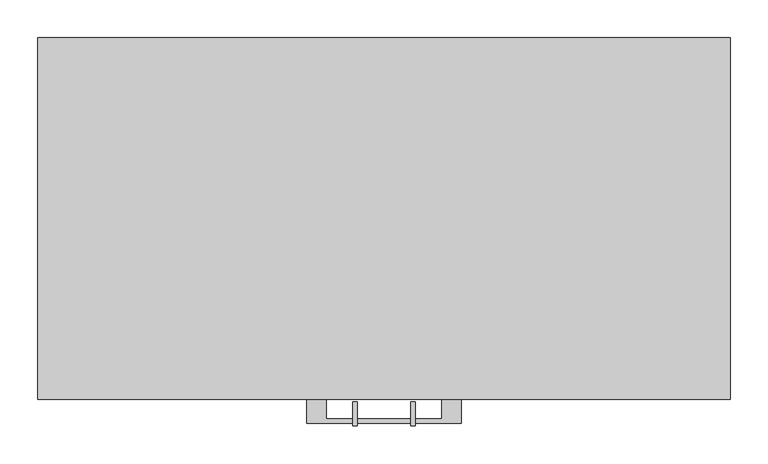
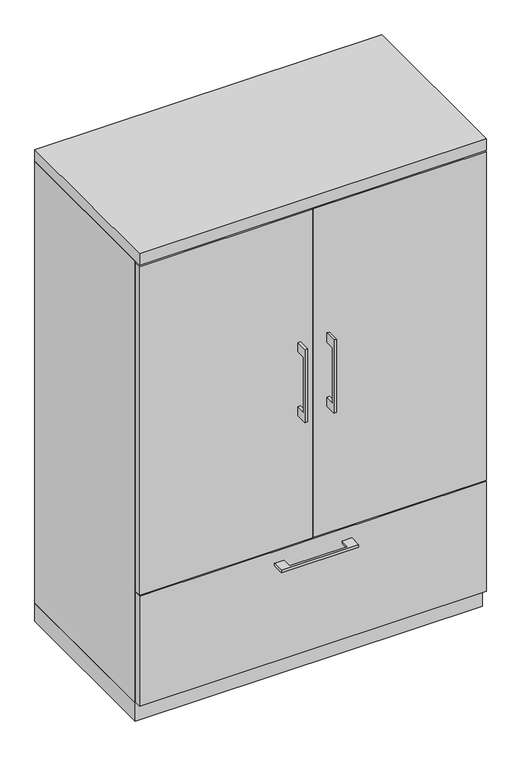
"""IFC4 building model written with IfcOpenShell, lengths in millimetres: furniture geometry."""

import ifcopenshell
import ifcopenshell.guid

model = None  # the IFC model being written
_history = None  # IfcOwnerHistory: only IFC2X3 demands one
_inside = {}  # id of a spatial element -> (the spatial element, [elements in it])
_under = {}  # id of a project, library or spatial element -> (it, [spatial elements below it])
_declared = {}  # id of a project -> (the project, [libraries it declares])
_typed = {}  # id of a type object -> (the type object, [elements of that type])
_made_of = {}  # id of a material, layer set ... -> (it, [elements and type objects made of it])


def new_model(schema):
    """Start an empty IFC model of exactly this schema.

    Asked for "IFC4X3", IfcOpenShell would pick the latest addendum, in which some entities
    have other attributes; the version numbers below select the first issue.
    IFC2X3 requires an IfcOwnerHistory on every rooted entity: one is made here for all.
    """
    global model, _history
    if schema == "IFC4X3":
        model = ifcopenshell.file(schema_version=(4, 3, 0, 0))
    else:
        model = ifcopenshell.file(schema=schema)
    _inside.clear()
    _under.clear()
    _declared.clear()
    _typed.clear()
    _made_of.clear()
    _history = None
    if model.schema == "IFC2X3":
        org = make("IfcOrganization", Name="unknown")
        user = make(
            "IfcPersonAndOrganization",
            ThePerson=make("IfcPerson", FamilyName="unknown"),
            TheOrganization=org,
        )
        app = make(
            "IfcApplication",
            ApplicationDeveloper=org,
            Version="unknown",
            ApplicationFullName="unknown",
            ApplicationIdentifier="unknown",
        )
        _history = make(
            "IfcOwnerHistory",
            OwningUser=user,
            OwningApplication=app,
            ChangeAction="ADDED",
            CreationDate=0,
        )
    return model


def make(cls, **values):
    """One entity of the class cls with the attributes given. An attribute that is None is left unset."""
    return model.create_entity(
        cls, **{name: value for name, value in values.items() if value is not None}
    )


def rooted(cls, **values):
    """An entity with a GlobalId (a new one), such as an element, a storey or a relation."""
    return make(cls, GlobalId=ifcopenshell.guid.new(), OwnerHistory=_history, **values)


def si_unit(unit_type, name, prefix=None):
    """IfcSIUnit, for example si_unit("LENGTHUNIT", "METRE", prefix="MILLI")."""
    return make("IfcSIUnit", UnitType=unit_type, Prefix=prefix, Name=name)


def assignment(units):
    """IfcUnitAssignment: the units of a project."""
    return None if units is None else make("IfcUnitAssignment", Units=units)


def point(xyz):
    """IfcCartesianPoint."""
    return None if xyz is None else make("IfcCartesianPoint", Coordinates=xyz)


def direction(xyz):
    """IfcDirection."""
    return None if xyz is None else make("IfcDirection", DirectionRatios=xyz)


def frame(location, z_axis=None, x_axis=None):
    """IfcAxis2Placement3D, a coordinate frame: its origin and axes. An axis left out is left unset."""
    return make(
        "IfcAxis2Placement3D",
        Location=point(location),
        Axis=direction(z_axis),
        RefDirection=direction(x_axis),
    )


def origin():
    """The frame at (0, 0, 0) with its axes left unset."""
    return frame((0.0, 0.0, 0.0))


def origin_with_axes():
    """The frame at (0, 0, 0) with the z axis (0, 0, 1) and the x axis (1, 0, 0) written out."""
    return frame((0.0, 0.0, 0.0), z_axis=(0.0, 0.0, 1.0), x_axis=(1.0, 0.0, 0.0))


def place(relative_to, where):
    """IfcLocalPlacement: puts the frame where relative to a parent placement (None: the world)."""
    return make(
        "IfcLocalPlacement", PlacementRelTo=relative_to, RelativePlacement=where
    )


def context(
    kind, dimensions, precision=None, world=None, true_north=None, identifier=None
):
    """IfcGeometricRepresentationContext, for example the 3D "Model" context."""
    return make(
        "IfcGeometricRepresentationContext",
        ContextIdentifier=identifier,
        ContextType=kind,
        CoordinateSpaceDimension=dimensions,
        Precision=precision,
        WorldCoordinateSystem=world,
        TrueNorth=true_north,
    )


def project(units=None, contexts=None):
    """IfcProject with its units and contexts."""
    return rooted(
        "IfcProject",
        Name="project",
        RepresentationContexts=contexts,
        UnitsInContext=assignment(units),
    )


def spatial(cls, under=None, at=None, **own):
    """A site, building, storey or space (cls), placed at a placement, below another one or the project."""
    s = rooted(cls, ObjectPlacement=at, **own)
    if under is not None:
        _under.setdefault(under.id(), (under, []))[1].append(s)
    return s


def polyline(points):
    """IfcPolyline through the points."""
    return make("IfcPolyline", Points=[point(p) for p in points])


def outline(outer, holes=None, kind="AREA"):
    """IfcArbitraryClosedProfileDef: a profile drawn as a closed curve; with holes, ...WithVoids."""
    if holes is None:
        return make("IfcArbitraryClosedProfileDef", ProfileType=kind, OuterCurve=outer)
    return make(
        "IfcArbitraryProfileDefWithVoids",
        ProfileType=kind,
        OuterCurve=outer,
        InnerCurves=holes,
    )


def extrude(swept, where, along, depth):
    """IfcExtrudedAreaSolid: the profile swept, set in the frame where, extruded along a direction by depth."""
    return make(
        "IfcExtrudedAreaSolid",
        SweptArea=swept,
        Position=where,
        ExtrudedDirection=direction(along),
        Depth=depth,
    )


def shape(context_of_items, identifier, shape_type, items):
    """IfcShapeRepresentation: the items that make up one representation, for example the "Body"."""
    return make(
        "IfcShapeRepresentation",
        ContextOfItems=context_of_items,
        RepresentationIdentifier=identifier,
        RepresentationType=shape_type,
        Items=items,
    )


def source(mapping_origin, context_of_items, identifier, shape_type, items):
    """IfcRepresentationMap: a shape defined once, which mapped items show again and again."""
    return make(
        "IfcRepresentationMap",
        MappingOrigin=mapping_origin,
        MappedRepresentation=shape(context_of_items, identifier, shape_type, items),
    )


def transform(
    local_origin,
    x_axis=None,
    y_axis=None,
    z_axis=None,
    scale=None,
    scale2=None,
    scale3=None,
    uniform=True,
):
    """IfcCartesianTransformationOperator3D, or its non-uniform kind. x_axis, y_axis, z_axis: its Axis1, 2, 3."""
    if uniform:
        return make(
            "IfcCartesianTransformationOperator3D",
            Axis1=direction(x_axis),
            Axis2=direction(y_axis),
            LocalOrigin=point(local_origin),
            Scale=scale,
            Axis3=direction(z_axis),
        )
    return make(
        "IfcCartesianTransformationOperator3DnonUniform",
        Axis1=direction(x_axis),
        Axis2=direction(y_axis),
        LocalOrigin=point(local_origin),
        Scale=scale,
        Axis3=direction(z_axis),
        Scale2=scale2,
        Scale3=scale3,
    )


def mapped(mapping_source, mapping_target):
    """IfcMappedItem: shows the shape of a source again, moved by a transform."""
    return make(
        "IfcMappedItem", MappingSource=mapping_source, MappingTarget=mapping_target
    )


def made_of(thing, what):
    """Note that an element or type object is made of a material, layer set ...; save() writes the relation."""
    if what is not None:
        _made_of.setdefault(what.id(), (what, []))[1].append(thing)
    return thing


def element(
    cls,
    number,
    at=None,
    inside=None,
    cuts=None,
    type_object=None,
    material=None,
    context=None,
    identifier="Body",
    shape_type=None,
    held_by="IfcProductDefinitionShape",
    body=None,
    shapes=None,
    **own,
):
    """One element of the class cls, such as IfcWall. Its Tag is "e" and its number.

    at: its placement. inside: the storey or other place that contains it. cuts: it is an
    opening in that element (IfcRelVoidsElement). A single representation is given by context,
    identifier, shape_type and body (its items); several are given by shapes. held_by: the class
    of the entity that holds the representations. save() writes the other relations.
    """
    e = rooted(cls, Tag="e%d" % number, ObjectPlacement=at, **own)
    if body is not None:
        shapes = [shape(context, identifier, shape_type, body)]
    if shapes is not None:
        e.Representation = make(held_by, Representations=shapes)
    if inside is not None:
        _inside.setdefault(inside.id(), (inside, []))[1].append(e)
    if cuts is not None:
        rooted(
            "IfcRelVoidsElement", RelatingBuildingElement=cuts, RelatedOpeningElement=e
        )
    if type_object is not None:
        _typed.setdefault(type_object.id(), (type_object, []))[1].append(e)
    return made_of(e, material)


def aggregate(whole, parts):
    """IfcRelAggregates: a whole, such as a stair, and the parts it consists of."""
    return rooted("IfcRelAggregates", RelatingObject=whole, RelatedObjects=parts)


def save(model, path):
    """Write the relations noted so far, then the file.

    IfcRelAggregates (storeys below a building ...), IfcRelContainedInSpatialStructure (elements
    in a storey), IfcRelDefinesByType, IfcRelAssociatesMaterial and IfcRelDeclares: one each for
    every whole, place, type object, material and project.
    """
    for whole, parts in _under.values():
        aggregate(whole, parts)
    for where, things in _inside.values():
        rooted(
            "IfcRelContainedInSpatialStructure",
            RelatedElements=things,
            RelatingStructure=where,
        )
    for kind, things in _typed.values():
        rooted("IfcRelDefinesByType", RelatedObjects=things, RelatingType=kind)
    for what, things in _made_of.values():
        rooted("IfcRelAssociatesMaterial", RelatedObjects=things, RelatingMaterial=what)
    for by, libraries in _declared.values():
        rooted("IfcRelDeclares", RelatingContext=by, RelatedDefinitions=libraries)
    model.write(path)


def furniture_64872c01(model_context):
    return source(origin(), model_context, "Body", "SweptSolid", [
        extrude(outline(polyline([(436.5625, -19.05), (436.5625, -457.2), (-436.5625, -457.2), (-436.5625, -19.05), (436.5625, -19.05)])), frame((0.0, 0.0, 962.025), z_axis=(0.0, 0.0, 1.0), x_axis=(1.0, 0.0, 0.0)), (0.0, 0.0, 1.0), 19.05),
        extrude(outline(polyline([(-479.425, 893.7625), (-504.8249758, 893.7625), (-504.8249758, 741.3625), (-479.425, 741.3625), (-479.425, 715.9625), (-511.1749879, 715.9625), (-511.1749879, 919.1625), (-479.425, 919.1625), (-479.425, 893.7625)])), frame((-41.2749879, 0.0, 0.0), z_axis=(1.0, 0.0, 0.0), x_axis=(0.0, 1.0, 0.0)), (0.0, 0.0, 1.0), 6.3499758),
        extrude(outline(polyline([(-455.6125, -476.25), (-455.6125, -457.2), (-1.5875, -457.2), (-1.5875, -476.25), (-455.6125, -476.25)])), frame((0.0, 0.0, 361.95), z_axis=(0.0, 0.0, 1.0), x_axis=(1.0, 0.0, 0.0)), (0.0, 0.0, 1.0), 911.225),
        extrude(outline(polyline([(-479.425, 893.7625), (-504.8249758, 893.7625), (-504.8249758, 741.3625), (-479.425, 741.3625), (-479.425, 715.9625), (-511.1749879, 715.9625), (-511.1749879, 919.1625), (-479.425, 919.1625), (-479.425, 893.7625)])), frame((34.9250121, 0.0, 0.0), z_axis=(1.0, 0.0, 0.0), x_axis=(0.0, 1.0, 0.0)), (0.0, 0.0, 1.0), 6.3499758),
        extrude(outline(polyline([(455.6125, -476.25), (1.5875, -476.25), (1.5875, -457.2), (455.6125, -457.2), (455.6125, -476.25)])), frame((0.0, 0.0, 361.95), z_axis=(0.0, 0.0, 1.0), x_axis=(1.0, 0.0, 0.0)), (0.0, 0.0, 1.0), 911.225),
        extrude(outline(polyline([(436.5625, -19.05), (436.5625, -457.2), (-436.5625, -457.2), (-436.5625, -19.05), (436.5625, -19.05)])), frame((0.0, 0.0, 657.225), z_axis=(0.0, 0.0, 1.0), x_axis=(1.0, 0.0, 0.0)), (0.0, 0.0, 1.0), 19.05),
        extrude(outline(polyline([(-76.1999818, -476.25), (-76.1999818, -501.6499758), (76.2, -501.6499758), (76.2, -476.25), (101.5999939, -476.25), (101.5999939, -507.9999879), (-101.5999939, -507.9999879), (-101.5999939, -476.25), (-76.1999818, -476.25)])), frame((0.0, 0.0, 319.0875506), z_axis=(0.0, 0.0, 1.0), x_axis=(1.0, 0.0, 0.0)), (0.0, 0.0, 1.0), 6.3499758),
        extrude(outline(polyline([(455.6125, -457.2), (455.6125, -476.25), (-455.6125, -476.25), (-455.6125, -457.2), (455.6125, -457.2)])), frame((0.0, 0.0, 53.975), z_axis=(0.0, 0.0, 1.0), x_axis=(1.0, 0.0, 0.0)), (0.0, 0.0, 1.0), 304.8),
        extrude(outline(polyline([(436.5625, -19.05), (436.5625, -457.2), (-436.5625, -457.2), (-436.5625, -19.05), (436.5625, -19.05)])), frame((0.0, 0.0, 50.8), z_axis=(0.0, 0.0, 1.0), x_axis=(1.0, 0.0, 0.0)), (0.0, 0.0, 1.0), 311.15),
        extrude(outline(polyline([(-455.6125, 0.0), (455.6125, 0.0), (455.6125, -457.2), (436.5625, -457.2), (436.5625, -19.05), (-436.5625, -19.05), (-436.5625, -457.2), (-455.6125, -457.2), (-455.6125, 0.0)])), frame((0.0, 0.0, 50.8), z_axis=(0.0, 0.0, 1.0), x_axis=(1.0, 0.0, 0.0)), (0.0, 0.0, 1.0), 1225.55),
        extrude(outline(polyline([(455.6125, 0.0), (455.6125, -476.25), (-455.6125, -476.25), (-455.6125, 0.0), (455.6125, 0.0)])), frame((0.0, 0.0, 1276.35), z_axis=(0.0, 0.0, 1.0), x_axis=(1.0, 0.0, 0.0)), (0.0, 0.0, 1.0), 31.75),
        extrude(outline(polyline([(455.6125, 0.0), (455.6125, -457.2), (-455.6125, -457.2), (-455.6125, 0.0), (455.6125, 0.0)])), origin_with_axes(), (0.0, 0.0, 1.0), 50.8),
    ])


if __name__ == "__main__":
    model = new_model("IFC4")
    model_context = context("Model", 3, world=origin())
    ifc_project = project(units=[si_unit("LENGTHUNIT", "METRE", prefix="MILLI")], contexts=[model_context])
    site = spatial("IfcSite", under=ifc_project)
    building = spatial("IfcBuilding", under=site)
    placement = place(None, origin())
    furniture_shape = furniture_64872c01(model_context)
    element("IfcFurniture", 1, at=placement, inside=building, context=model_context, shape_type="MappedRepresentation", body=[
        mapped(furniture_shape, transform((0.0, 0.0, 0.0), x_axis=(1.0, 0.0, 0.0), y_axis=(0.0, 1.0, 0.0), z_axis=(0.0, 0.0, 1.0))),
    ])
    save(model, "model.ifc")
